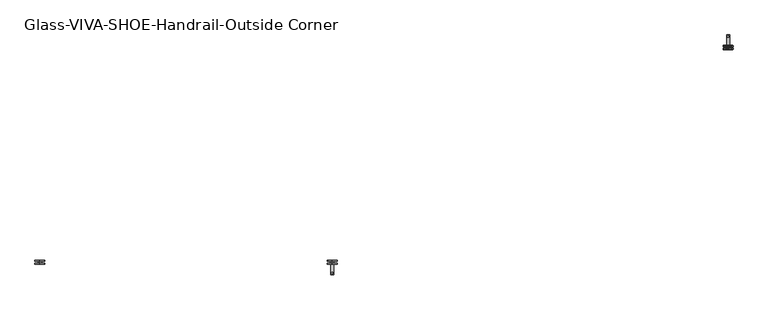
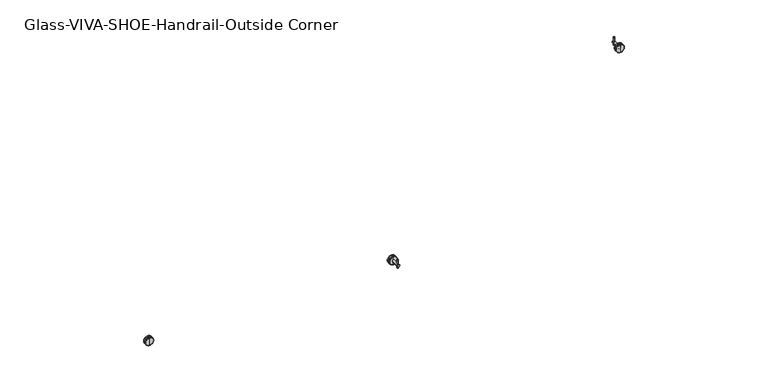
"""IFC4 building model written with IfcOpenShell, lengths in millimetres: railing geometry, Glass-VIVA-SHOE-Handrail-Outside Corner."""

from ifc_helpers import new_model, si_unit, point, frame, frame_2d, origin, place, context, project, spatial, polyline, circle_curve, trimmed, segment, composite_curve, outline, extrude, source, transform, mapped, element, save
from ifc_brep_helpers import plane_surface, cylinder_surface, revolved_surface, advanced_brep


def glass_viva_shoe_handrail_outside_corner_d17627d0(model_context):
    return source(origin(), model_context, "Body", "SolidModel", [
        advanced_brep(
        [(-15172.6514824, 8603.2983618, 3802.0), (-15172.6514824, 8603.2983618, 3838.115625), (-15172.6514824, 8603.2983618, 3765.884375), (-15172.6514824, 8571.3499243, 3765.884375), (-15172.6514824, 8571.3499243, 3838.115625), (-15172.6514824, 8571.3499243, 3802.0), (-15172.6514824, 8573.3342993, 3763.9), (-15172.6514824, 8573.3342993, 3840.1), (-15172.6514824, 8580.974143, 3763.9), (-15172.6514824, 8580.974143, 3840.1), (-15172.6514824, 8580.974143, 3789.3), (-15172.6514824, 8580.974143, 3814.7), (-15172.6514824, 8593.674143, 3789.3), (-15172.6514824, 8593.674143, 3814.7), (-15172.6514824, 8593.674143, 3763.9), (-15172.6514824, 8593.674143, 3840.1), (-15172.6514824, 8601.3139868, 3763.9), (-15172.6514824, 8601.3139868, 3840.1)],
        [
            (0, 1),
            (1, 2, circle_curve(frame((-15172.6514824, 8603.2983618, 3802.0), z_axis=(0.0, 1.0, 0.0), x_axis=(0.0, 0.0, 1.0)), 36.115625)),
            (2, 0),
            (2, 1, circle_curve(frame((-15172.6514824, 8603.2983618, 3802.0), z_axis=(0.0, 1.0, 0.0), x_axis=(0.0, 0.0, 1.0)), 36.115625)),
            (3, 4, circle_curve(frame((-15172.6514824, 8571.3499243, 3802.0), z_axis=(0.0, -1.0, 0.0), x_axis=(0.0, 0.0, 1.0)), 36.115625)),
            (4, 5),
            (5, 3),
            (4, 3, circle_curve(frame((-15172.6514824, 8571.3499243, 3802.0), z_axis=(0.0, -1.0, 0.0), x_axis=(0.0, 0.0, 1.0)), 36.115625)),
            (6, 7, circle_curve(frame((-15172.6514824, 8573.3342993, 3802.0), z_axis=(0.0, -1.0, 0.0), x_axis=(0.0, 0.0, 1.0)), 38.1)),
            (7, 4),
            (3, 6),
            (7, 6, circle_curve(frame((-15172.6514824, 8573.3342993, 3802.0), z_axis=(0.0, -1.0, 0.0), x_axis=(0.0, 0.0, 1.0)), 38.1)),
            (8, 9, circle_curve(frame((-15172.6514824, 8580.974143, 3802.0), z_axis=(0.0, -1.0, 0.0), x_axis=(0.0, 0.0, 1.0)), 38.1)),
            (9, 7),
            (6, 8),
            (9, 8, circle_curve(frame((-15172.6514824, 8580.974143, 3802.0), z_axis=(0.0, -1.0, 0.0), x_axis=(0.0, 0.0, 1.0)), 38.1)),
            (10, 11, circle_curve(frame((-15172.6514824, 8580.974143, 3802.0), z_axis=(0.0, -1.0, 0.0), x_axis=(0.0, 0.0, 1.0)), 12.7)),
            (11, 9),
            (8, 10),
            (11, 10, circle_curve(frame((-15172.6514824, 8580.974143, 3802.0), z_axis=(0.0, -1.0, 0.0), x_axis=(0.0, 0.0, 1.0)), 12.7)),
            (12, 13, circle_curve(frame((-15172.6514824, 8593.674143, 3802.0), z_axis=(0.0, -1.0, 0.0), x_axis=(0.0, 0.0, 1.0)), 12.7)),
            (13, 11),
            (10, 12),
            (13, 12, circle_curve(frame((-15172.6514824, 8593.674143, 3802.0), z_axis=(0.0, -1.0, 0.0), x_axis=(0.0, 0.0, 1.0)), 12.7)),
            (14, 15, circle_curve(frame((-15172.6514824, 8593.674143, 3802.0), z_axis=(0.0, -1.0, 0.0), x_axis=(0.0, 0.0, 1.0)), 38.1)),
            (15, 13),
            (12, 14),
            (15, 14, circle_curve(frame((-15172.6514824, 8593.674143, 3802.0), z_axis=(0.0, -1.0, 0.0), x_axis=(0.0, 0.0, 1.0)), 38.1)),
            (16, 17, circle_curve(frame((-15172.6514824, 8601.3139868, 3802.0), z_axis=(0.0, -1.0, 0.0), x_axis=(0.0, 0.0, 1.0)), 38.1)),
            (17, 15),
            (14, 16),
            (17, 16, circle_curve(frame((-15172.6514824, 8601.3139868, 3802.0), z_axis=(0.0, -1.0, 0.0), x_axis=(0.0, 0.0, 1.0)), 38.1)),
            (1, 17),
            (16, 2),
        ],
        [
            plane_surface(frame((-15172.6514824, 8603.2983618, 3802.0), z_axis=(0.0, 1.0, 0.0), x_axis=(0.0, 0.0, 1.0))),
            plane_surface(frame((-15172.6514824, 8571.3499243, 3802.0), z_axis=(0.0, -1.0, 0.0), x_axis=(0.0, 0.0, 1.0))),
            revolved_surface(polyline([(-15172.6514824, 8571.3499243, 3838.115625), (-15172.6514824, 8573.3342993, 3840.1)]), (-15172.6514824, 8639.4139868, 3802.0), (0.0, 1.0, 0.0)),
            cylinder_surface(frame((-15172.6514824, 8639.4139868, 3802.0), z_axis=(0.0, 1.0, 0.0), x_axis=(0.0, 0.0, 1.0)), 38.1),
            plane_surface(frame((-15172.6514824, 8580.974143, 3802.0), z_axis=(0.0, 1.0, 0.0), x_axis=(0.0, 0.0, 1.0))),
            cylinder_surface(frame((-15172.6514824, 8639.4139868, 3802.0), z_axis=(0.0, 1.0, 0.0), x_axis=(0.0, 0.0, 1.0)), 12.7),
            plane_surface(frame((-15172.6514824, 8593.674143, 3802.0), z_axis=(0.0, -1.0, 0.0), x_axis=(0.0, 0.0, 1.0))),
            revolved_surface(polyline([(-15172.6514824, 8601.3139868, 3840.1), (-15172.6514824, 8603.2983618, 3838.115625)]), (-15172.6514824, 8639.4139868, 3802.0), (0.0, 1.0, 0.0)),
        ],
        [
            (0, [[1, 2, 3]]),
            (0, [[-3, 4, -1]]),
            (1, [[5, 6, 7]]),
            (1, [[8, -7, -6]]),
            (2, [[9, 10, -5, 11]]),
            (2, [[12, -11, -8, -10]]),
            (3, [[13, 14, -9, 15]]),
            (3, [[16, -15, -12, -14]]),
            (4, [[17, 18, -13, 19]]),
            (4, [[20, -19, -16, -18]]),
            (5, [[21, 22, -17, 23]]),
            (5, [[24, -23, -20, -22]]),
            (6, [[25, 26, -21, 27]]),
            (6, [[28, -27, -24, -26]]),
            (3, [[29, 30, -25, 31]]),
            (3, [[32, -31, -28, -30]]),
            (7, [[-2, 33, -29, 34]]),
            (7, [[-4, -34, -32, -33]]),
        ],
    ),
        extrude(outline(composite_curve([segment(trimmed(circle_curve(frame_2d((-9958.4014824, 10296.874143)), 5.953125), [point((-9958.4014824, 10290.921018))], [point((-9958.4014824, 10302.827268))], False, "CARTESIAN"), True, "CONTINUOUS"), segment(trimmed(circle_curve(frame_2d((-9958.4014824, 10296.874143)), 5.953125), [point((-9958.4014824, 10302.827268))], [point((-9958.4014824, 10290.921018))], False, "CARTESIAN"), True, "CONTINUOUS")], self_intersect=False)), frame((0.0, 0.0, 3776.6), z_axis=(0.0, 0.0, 1.0), x_axis=(1.0, 0.0, 0.0)), (0.0, 0.0, 1.0), 76.2),
        extrude(outline(composite_curve([segment(trimmed(circle_curve(frame_2d((3802.0, -9958.4014824)), 11.0132813), [point((3802.0, -9947.3882011))], [point((3802.0, -9969.4147636))], False, "CARTESIAN"), True, "CONTINUOUS"), segment(trimmed(circle_curve(frame_2d((3802.0, -9958.4014824)), 11.0132813), [point((3802.0, -9969.4147636))], [point((3802.0, -9947.3882011))], False, "CARTESIAN"), True, "CONTINUOUS")], self_intersect=False)), frame((0.0, 10230.2983618, 0.0), z_axis=(0.0, 1.0, 0.0), x_axis=(0.0, 0.0, 1.0)), (0.0, 0.0, 1.0), 79.2757812),
        advanced_brep(
        [(-9958.4014824, 10198.3499243, 3802.0), (-9958.4014824, 10198.3499243, 3838.115625), (-9958.4014824, 10198.3499243, 3765.884375), (-9958.4014824, 10230.2983618, 3765.884375), (-9958.4014824, 10230.2983618, 3838.115625), (-9958.4014824, 10230.2983618, 3802.0), (-9958.4014824, 10228.3139868, 3763.9), (-9958.4014824, 10228.3139868, 3840.1), (-9958.4014824, 10220.674143, 3763.9), (-9958.4014824, 10220.674143, 3840.1), (-9958.4014824, 10220.674143, 3789.3), (-9958.4014824, 10220.674143, 3814.7), (-9958.4014824, 10207.974143, 3789.3), (-9958.4014824, 10207.974143, 3814.7), (-9958.4014824, 10207.974143, 3763.9), (-9958.4014824, 10207.974143, 3840.1), (-9958.4014824, 10200.3342993, 3763.9), (-9958.4014824, 10200.3342993, 3840.1)],
        [
            (0, 1),
            (1, 2, circle_curve(frame((-9958.4014824, 10198.3499243, 3802.0), z_axis=(0.0, -1.0, 0.0), x_axis=(0.0, 0.0, 1.0)), 36.115625)),
            (2, 0),
            (2, 1, circle_curve(frame((-9958.4014824, 10198.3499243, 3802.0), z_axis=(0.0, -1.0, 0.0), x_axis=(0.0, 0.0, 1.0)), 36.115625)),
            (3, 4, circle_curve(frame((-9958.4014824, 10230.2983618, 3802.0), z_axis=(0.0, 1.0, 0.0), x_axis=(0.0, 0.0, 1.0)), 36.115625)),
            (4, 5),
            (5, 3),
            (4, 3, circle_curve(frame((-9958.4014824, 10230.2983618, 3802.0), z_axis=(0.0, 1.0, 0.0), x_axis=(0.0, 0.0, 1.0)), 36.115625)),
            (6, 7, circle_curve(frame((-9958.4014824, 10228.3139868, 3802.0), z_axis=(0.0, 1.0, 0.0), x_axis=(0.0, 0.0, 1.0)), 38.1)),
            (7, 4),
            (3, 6),
            (7, 6, circle_curve(frame((-9958.4014824, 10228.3139868, 3802.0), z_axis=(0.0, 1.0, 0.0), x_axis=(0.0, 0.0, 1.0)), 38.1)),
            (8, 9, circle_curve(frame((-9958.4014824, 10220.674143, 3802.0), z_axis=(0.0, 1.0, 0.0), x_axis=(0.0, 0.0, 1.0)), 38.1)),
            (9, 7),
            (6, 8),
            (9, 8, circle_curve(frame((-9958.4014824, 10220.674143, 3802.0), z_axis=(0.0, 1.0, 0.0), x_axis=(0.0, 0.0, 1.0)), 38.1)),
            (10, 11, circle_curve(frame((-9958.4014824, 10220.674143, 3802.0), z_axis=(0.0, 1.0, 0.0), x_axis=(0.0, 0.0, 1.0)), 12.7)),
            (11, 9),
            (8, 10),
            (11, 10, circle_curve(frame((-9958.4014824, 10220.674143, 3802.0), z_axis=(0.0, 1.0, 0.0), x_axis=(0.0, 0.0, 1.0)), 12.7)),
            (12, 13, circle_curve(frame((-9958.4014824, 10207.974143, 3802.0), z_axis=(0.0, 1.0, 0.0), x_axis=(0.0, 0.0, 1.0)), 12.7)),
            (13, 11),
            (10, 12),
            (13, 12, circle_curve(frame((-9958.4014824, 10207.974143, 3802.0), z_axis=(0.0, 1.0, 0.0), x_axis=(0.0, 0.0, 1.0)), 12.7)),
            (14, 15, circle_curve(frame((-9958.4014824, 10207.974143, 3802.0), z_axis=(0.0, 1.0, 0.0), x_axis=(0.0, 0.0, 1.0)), 38.1)),
            (15, 13),
            (12, 14),
            (15, 14, circle_curve(frame((-9958.4014824, 10207.974143, 3802.0), z_axis=(0.0, 1.0, 0.0), x_axis=(0.0, 0.0, 1.0)), 38.1)),
            (16, 17, circle_curve(frame((-9958.4014824, 10200.3342993, 3802.0), z_axis=(0.0, 1.0, 0.0), x_axis=(0.0, 0.0, 1.0)), 38.1)),
            (17, 15),
            (14, 16),
            (17, 16, circle_curve(frame((-9958.4014824, 10200.3342993, 3802.0), z_axis=(0.0, 1.0, 0.0), x_axis=(0.0, 0.0, 1.0)), 38.1)),
            (1, 17),
            (16, 2),
        ],
        [
            plane_surface(frame((-9958.4014824, 10198.3499243, 3802.0), z_axis=(0.0, -1.0, 0.0), x_axis=(0.0, 0.0, 1.0))),
            plane_surface(frame((-9958.4014824, 10230.2983618, 3802.0), z_axis=(0.0, 1.0, 0.0), x_axis=(0.0, 0.0, 1.0))),
            revolved_surface(polyline([(-9958.4014824, 10230.2983618, 3838.115625), (-9958.4014824, 10228.3139868, 3840.1)]), (-9958.4014824, 10162.2342993, 3802.0), (0.0, -1.0, 0.0)),
            cylinder_surface(frame((-9958.4014824, 10162.2342993, 3802.0), z_axis=(0.0, -1.0, 0.0), x_axis=(0.0, 0.0, 1.0)), 38.1),
            plane_surface(frame((-9958.4014824, 10220.674143, 3802.0), z_axis=(0.0, -1.0, 0.0), x_axis=(0.0, 0.0, 1.0))),
            cylinder_surface(frame((-9958.4014824, 10162.2342993, 3802.0), z_axis=(0.0, -1.0, 0.0), x_axis=(0.0, 0.0, 1.0)), 12.7),
            plane_surface(frame((-9958.4014824, 10207.974143, 3802.0), z_axis=(0.0, 1.0, 0.0), x_axis=(0.0, 0.0, 1.0))),
            revolved_surface(polyline([(-9958.4014824, 10200.3342993, 3840.1), (-9958.4014824, 10198.3499243, 3838.115625)]), (-9958.4014824, 10162.2342993, 3802.0), (0.0, -1.0, 0.0)),
        ],
        [
            (0, [[1, 2, 3]]),
            (0, [[-3, 4, -1]]),
            (1, [[5, 6, 7]]),
            (1, [[8, -7, -6]]),
            (2, [[9, 10, -5, 11]]),
            (2, [[12, -11, -8, -10]]),
            (3, [[13, 14, -9, 15]]),
            (3, [[16, -15, -12, -14]]),
            (4, [[17, 18, -13, 19]]),
            (4, [[20, -19, -16, -18]]),
            (5, [[21, 22, -17, 23]]),
            (5, [[24, -23, -20, -22]]),
            (6, [[25, 26, -21, 27]]),
            (6, [[28, -27, -24, -26]]),
            (3, [[29, 30, -25, 31]]),
            (3, [[32, -31, -28, -30]]),
            (7, [[-2, 33, -29, 34]]),
            (7, [[-4, -34, -32, -33]]),
        ],
    ),
        extrude(outline(composite_curve([segment(trimmed(circle_curve(frame_2d((-12958.4014824, 8504.774143)), 5.953125), [point((-12958.4014824, 8510.727268))], [point((-12958.4014824, 8498.821018))], False, "CARTESIAN"), True, "CONTINUOUS"), segment(trimmed(circle_curve(frame_2d((-12958.4014824, 8504.774143)), 5.953125), [point((-12958.4014824, 8498.821018))], [point((-12958.4014824, 8510.727268))], False, "CARTESIAN"), True, "CONTINUOUS")], self_intersect=False)), frame((0.0, 0.0, 3776.6), z_axis=(0.0, 0.0, 1.0), x_axis=(1.0, 0.0, 0.0)), (0.0, 0.0, 1.0), 76.2),
        extrude(outline(composite_curve([segment(trimmed(circle_curve(frame_2d((3802.0, -12958.4014824)), 11.0132813), [point((3802.0, -12969.4147636))], [point((3802.0, -12947.3882011))], False, "CARTESIAN"), True, "CONTINUOUS"), segment(trimmed(circle_curve(frame_2d((3802.0, -12958.4014824)), 11.0132813), [point((3802.0, -12947.3882011))], [point((3802.0, -12969.4147636))], False, "CARTESIAN"), True, "CONTINUOUS")], self_intersect=False)), frame((0.0, 8492.074143, 0.0), z_axis=(0.0, 1.0, 0.0), x_axis=(0.0, 0.0, 1.0)), (0.0, 0.0, 1.0), 79.2757812),
        advanced_brep(
        [(-12958.4014824, 8603.2983618, 3802.0), (-12958.4014824, 8603.2983618, 3838.115625), (-12958.4014824, 8603.2983618, 3765.884375), (-12958.4014824, 8571.3499243, 3765.884375), (-12958.4014824, 8571.3499243, 3838.115625), (-12958.4014824, 8571.3499243, 3802.0), (-12958.4014824, 8573.3342993, 3763.9), (-12958.4014824, 8573.3342993, 3840.1), (-12958.4014824, 8580.974143, 3763.9), (-12958.4014824, 8580.974143, 3840.1), (-12958.4014824, 8580.974143, 3789.3), (-12958.4014824, 8580.974143, 3814.7), (-12958.4014824, 8593.674143, 3789.3), (-12958.4014824, 8593.674143, 3814.7), (-12958.4014824, 8593.674143, 3763.9), (-12958.4014824, 8593.674143, 3840.1), (-12958.4014824, 8601.3139868, 3763.9), (-12958.4014824, 8601.3139868, 3840.1)],
        [
            (0, 1),
            (1, 2, circle_curve(frame((-12958.4014824, 8603.2983618, 3802.0), z_axis=(0.0, 1.0, 0.0), x_axis=(0.0, 0.0, 1.0)), 36.115625)),
            (2, 0),
            (2, 1, circle_curve(frame((-12958.4014824, 8603.2983618, 3802.0), z_axis=(0.0, 1.0, 0.0), x_axis=(0.0, 0.0, 1.0)), 36.115625)),
            (3, 4, circle_curve(frame((-12958.4014824, 8571.3499243, 3802.0), z_axis=(0.0, -1.0, 0.0), x_axis=(0.0, 0.0, 1.0)), 36.115625)),
            (4, 5),
            (5, 3),
            (4, 3, circle_curve(frame((-12958.4014824, 8571.3499243, 3802.0), z_axis=(0.0, -1.0, 0.0), x_axis=(0.0, 0.0, 1.0)), 36.115625)),
            (6, 7, circle_curve(frame((-12958.4014824, 8573.3342993, 3802.0), z_axis=(0.0, -1.0, 0.0), x_axis=(0.0, 0.0, 1.0)), 38.1)),
            (7, 4),
            (3, 6),
            (7, 6, circle_curve(frame((-12958.4014824, 8573.3342993, 3802.0), z_axis=(0.0, -1.0, 0.0), x_axis=(0.0, 0.0, 1.0)), 38.1)),
            (8, 9, circle_curve(frame((-12958.4014824, 8580.974143, 3802.0), z_axis=(0.0, -1.0, 0.0), x_axis=(0.0, 0.0, 1.0)), 38.1)),
            (9, 7),
            (6, 8),
            (9, 8, circle_curve(frame((-12958.4014824, 8580.974143, 3802.0), z_axis=(0.0, -1.0, 0.0), x_axis=(0.0, 0.0, 1.0)), 38.1)),
            (10, 11, circle_curve(frame((-12958.4014824, 8580.974143, 3802.0), z_axis=(0.0, -1.0, 0.0), x_axis=(0.0, 0.0, 1.0)), 12.7)),
            (11, 9),
            (8, 10),
            (11, 10, circle_curve(frame((-12958.4014824, 8580.974143, 3802.0), z_axis=(0.0, -1.0, 0.0), x_axis=(0.0, 0.0, 1.0)), 12.7)),
            (12, 13, circle_curve(frame((-12958.4014824, 8593.674143, 3802.0), z_axis=(0.0, -1.0, 0.0), x_axis=(0.0, 0.0, 1.0)), 12.7)),
            (13, 11),
            (10, 12),
            (13, 12, circle_curve(frame((-12958.4014824, 8593.674143, 3802.0), z_axis=(0.0, -1.0, 0.0), x_axis=(0.0, 0.0, 1.0)), 12.7)),
            (14, 15, circle_curve(frame((-12958.4014824, 8593.674143, 3802.0), z_axis=(0.0, -1.0, 0.0), x_axis=(0.0, 0.0, 1.0)), 38.1)),
            (15, 13),
            (12, 14),
            (15, 14, circle_curve(frame((-12958.4014824, 8593.674143, 3802.0), z_axis=(0.0, -1.0, 0.0), x_axis=(0.0, 0.0, 1.0)), 38.1)),
            (16, 17, circle_curve(frame((-12958.4014824, 8601.3139868, 3802.0), z_axis=(0.0, -1.0, 0.0), x_axis=(0.0, 0.0, 1.0)), 38.1)),
            (17, 15),
            (14, 16),
            (17, 16, circle_curve(frame((-12958.4014824, 8601.3139868, 3802.0), z_axis=(0.0, -1.0, 0.0), x_axis=(0.0, 0.0, 1.0)), 38.1)),
            (1, 17),
            (16, 2),
        ],
        [
            plane_surface(frame((-12958.4014824, 8603.2983618, 3802.0), z_axis=(0.0, 1.0, 0.0), x_axis=(0.0, 0.0, 1.0))),
            plane_surface(frame((-12958.4014824, 8571.3499243, 3802.0), z_axis=(0.0, -1.0, 0.0), x_axis=(0.0, 0.0, 1.0))),
            revolved_surface(polyline([(-12958.4014824, 8571.3499243, 3838.115625), (-12958.4014824, 8573.3342993, 3840.1)]), (-12958.4014824, 8639.4139868, 3802.0), (0.0, 1.0, 0.0)),
            cylinder_surface(frame((-12958.4014824, 8639.4139868, 3802.0), z_axis=(0.0, 1.0, 0.0), x_axis=(0.0, 0.0, 1.0)), 38.1),
            plane_surface(frame((-12958.4014824, 8580.974143, 3802.0), z_axis=(0.0, 1.0, 0.0), x_axis=(0.0, 0.0, 1.0))),
            cylinder_surface(frame((-12958.4014824, 8639.4139868, 3802.0), z_axis=(0.0, 1.0, 0.0), x_axis=(0.0, 0.0, 1.0)), 12.7),
            plane_surface(frame((-12958.4014824, 8593.674143, 3802.0), z_axis=(0.0, -1.0, 0.0), x_axis=(0.0, 0.0, 1.0))),
            revolved_surface(polyline([(-12958.4014824, 8601.3139868, 3840.1), (-12958.4014824, 8603.2983618, 3838.115625)]), (-12958.4014824, 8639.4139868, 3802.0), (0.0, 1.0, 0.0)),
        ],
        [
            (0, [[1, 2, 3]]),
            (0, [[-3, 4, -1]]),
            (1, [[5, 6, 7]]),
            (1, [[8, -7, -6]]),
            (2, [[9, 10, -5, 11]]),
            (2, [[12, -11, -8, -10]]),
            (3, [[13, 14, -9, 15]]),
            (3, [[16, -15, -12, -14]]),
            (4, [[17, 18, -13, 19]]),
            (4, [[20, -19, -16, -18]]),
            (5, [[21, 22, -17, 23]]),
            (5, [[24, -23, -20, -22]]),
            (6, [[25, 26, -21, 27]]),
            (6, [[28, -27, -24, -26]]),
            (3, [[29, 30, -25, 31]]),
            (3, [[32, -31, -28, -30]]),
            (7, [[-2, 33, -29, 34]]),
            (7, [[-4, -34, -32, -33]]),
        ],
    ),
    ])


if __name__ == "__main__":
    model = new_model("IFC4")
    model_context = context("Model", 3, world=origin())
    ifc_project = project(units=[si_unit("LENGTHUNIT", "METRE", prefix="MILLI")], contexts=[model_context])
    site = spatial("IfcSite", under=ifc_project)
    building = spatial("IfcBuilding", under=site)
    placement = place(None, origin())
    glass_viva_shoe_handrail_outside_corner_shape = glass_viva_shoe_handrail_outside_corner_d17627d0(model_context)
    element("IfcRailing", 1, ObjectType="Glass-VIVA-SHOE-Handrail-Outside Corner", at=placement, inside=building, context=model_context, shape_type="MappedRepresentation", body=[
        mapped(glass_viva_shoe_handrail_outside_corner_shape, transform((0.0, 0.0, 0.0), x_axis=(1.0, 0.0, 0.0), y_axis=(0.0, 1.0, 0.0), z_axis=(0.0, 0.0, 1.0))),
    ])
    save(model, "model.ifc")
